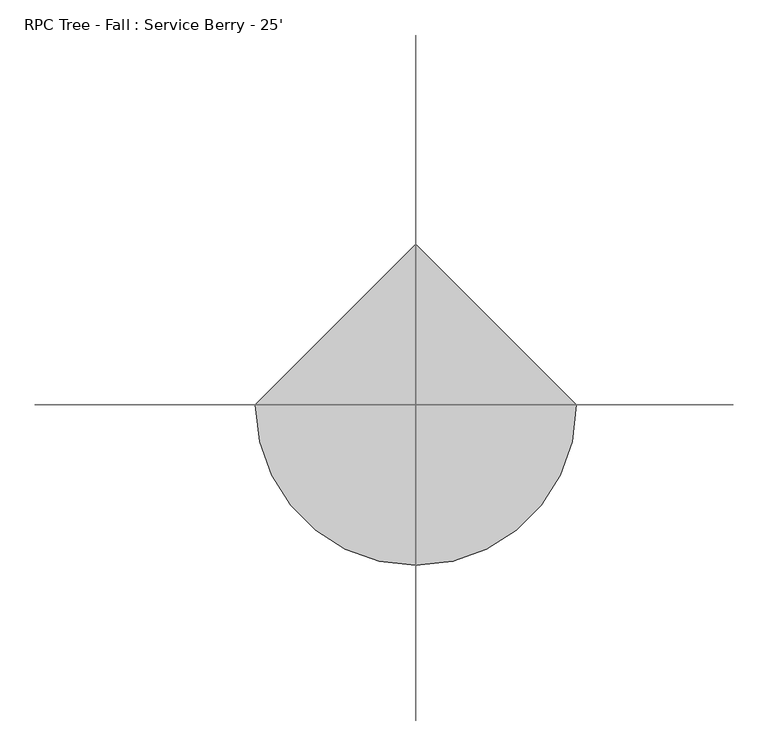
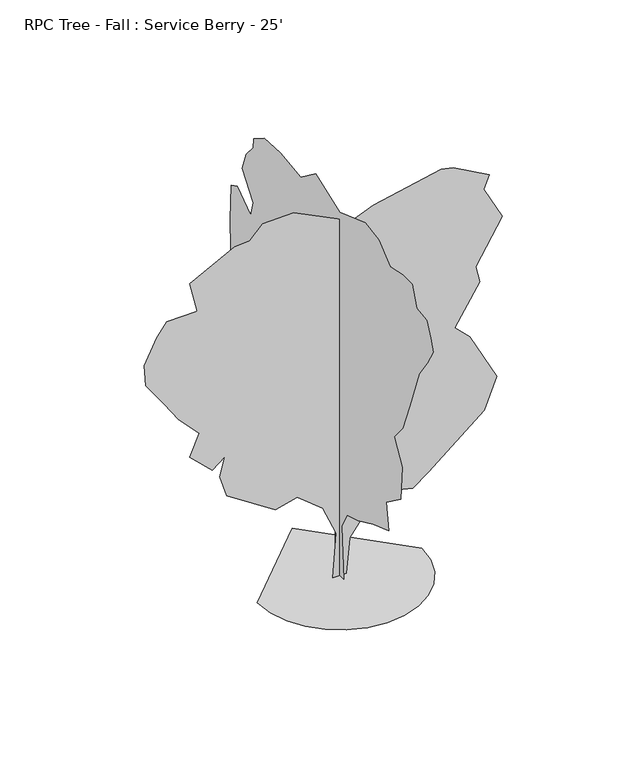
"""IFC4 building model written with IfcOpenShell, lengths in millimetres: geographic element geometry, RPC Tree - Fall : Service Berry - 25'."""

from ifc_helpers import new_model, si_unit, origin, place, context, project, spatial, triangles, source, transform, mapped, element, save


def rpc_tree_fall_service_berry_25_c2e3b044(model_context):
    return source(origin(), model_context, "Body", "Tessellation", [
        triangles([(-1569.2053802, 0.0, 0.0921994), (-1527.7195404, -359.5569775, 0.0921994), (-1409.5715195, -689.7541191, 0.0921994), (-1224.2203331, -981.1298658, 0.0921994), (-981.1298658, -1224.2203331, 0.0921994), (-689.7541191, -1409.5715195, 0.0921994), (-359.5569775, -1527.7195404, 0.0921994), (6.86e-05, -1569.2053802, 0.0921994), (359.5569775, -1527.7195404, 0.0921994), (689.7541191, -1409.5715195, 0.0921994), (981.1298658, -1224.2203331, 0.0921994), (1224.2229492, -981.1298658, 0.0921994), (1409.5715195, -689.7541191, 0.0921994), (1527.7195404, -359.5569775, 0.0921994), (1569.2053802, 0.0001372, 0.0921994), (-0.0002058, 1569.2053802, 0.0921994), (-1.69e-05, -141.5174793, 0.1472589), (0.0001147, -69.7424863, 1032.2016031), (0.000133, -256.3848048, 1371.9187305), (0.0001024, -615.3550266, 1474.4812202), (7.03e-05, -1115.345874, 1705.2476578), (3.21e-05, -1615.3367214, 1884.7314697), (0.0001039, -1538.4155445, 2410.3636299), (8.87e-05, -2012.7650791, 2756.5067459), (0.0001635, -2064.0477047, 3435.9815506), (0.000217, -1897.3831684, 3718.0227654), (0.0002491, -1794.8206787, 3884.6974754), (0.0002552, -2089.6888721, 4230.8484398), (0.000298, -2307.6334179, 4807.7579933), (0.0003614, -2623.385511, 5655.5326996), (0.0003744, -2884.5480583, 6025.68685), (0.0003913, -3089.67827, 6371.8378143), (0.0004295, -2999.9401428, 6602.5964035), (0.0004784, -2871.721225, 6884.6379089), (0.0005227, -2551.224218, 6935.9202438), (0.0005869, -2397.3740158, 7320.5264191), (0.0006248, -2079.5720478, 7320.8822113), (0.0006638, -1662.9541637, 7231.2458221), (0.0007467, -1282.8054199, 7546.7643539), (0.0008078, -843.8836647, 7619.9924423), (0.0008724, -0.5889314, 7319.3073074), (0.0010019, 789.2051708, 7615.6235229), (0.0010175, 1284.1033058, 7251.4131958), (0.001108, 1961.5257648, 7333.3535431), (0.0011676, 2487.1577797, 7307.7248749), (0.0011829, 2846.1178459, 7076.9407059), (0.0011624, 2859.3260513, 6891.47005), (0.0011569, 3089.7038498, 6615.4235275), (0.0011294, 3217.9227676, 6256.4454391), (0.0010299, 2847.8197769, 5791.7784531), (0.0010042, 2946.0922668, 5477.7836655), (0.0010936, 3377.5871498, 5796.1217926), (0.0011065, 3589.7021095, 5692.3630096), (0.0010255, 3615.3560669, 4987.2339569), (0.0008843, 3582.2092529, 3836.2597343), (0.0007687, 3089.7038498, 3359.0705475), (0.0006236, 2628.1860901, 2602.6591599), (0.0005208, 2040.694915, 2327.8239006), (0.0004249, 1431.5069538, 2133.0466908), (0.0004088, 1159.6180264, 2269.3404064), (0.0003546, 948.7221056, 2025.7546932), (0.0003347, 1038.465247, 1769.3469429), (0.0003041, 974.3633457, 1577.0438553), (0.0002185, 601.9539914, 1230.895507), (0.0002096, 314.8453897, 1443.1579868), (0.0001473, 143.6297414, 1092.3639919), (1.53e-05, 128.0166319, 0.0873663), (-131.1532773, 5.7e-06, 1.11e-05), (-67.2957107, -0.0001014, 875.4050692), (-322.2342556, -0.0001611, 1469.2590099), (-813.1217342, -0.0001862, 1859.996933), (-1229.3790298, -0.000155, 1751.1580822), (-2156.2470188, -0.0001869, 2358.9337749), (-2290.3894123, -0.0002327, 2792.1938118), (-2194.7076073, -0.0002815, 3166.6148529), (-2430.1146046, -0.0002486, 2976.2674599), (-2861.3579041, -0.0002784, 3384.5466087), (-2681.1450668, -0.0003364, 3804.8398499), (-3066.4881157, -0.0003688, 4217.8689995), (-3348.5293304, -0.0004053, 4628.1294228), (-3694.6802948, -0.0004483, 5115.3011398), (-3724.9569351, -0.0004968, 5533.4604996), (-3491.4551994, -0.000565, 6019.7430267), (-3297.2469955, -0.0006032, 6269.1202469), (-2715.1302017, -0.0006298, 6278.9242996), (-2861.3579041, -0.0006956, 6884.5105911), (-2002.4019035, -0.0007866, 7333.2012268), (-1714.1578697, -0.0008013, 7350.6001648), (-1463.9504677, -0.0008423, 7602.441188), (-879.4385439, -0.0008697, 7618.3158005), (233.9073432, -0.0008534, 7073.1560532), (638.5782457, -0.0008914, 7243.4630997), (1933.428352, -0.0009801, 7512.7030609), (2164.1946442, -0.0009841, 7461.4201447), (2852.671225, -0.0009686, 7079.2521927), (2750.5632133, -0.0009338, 6825.0491043), (3100.854332, -0.0008692, 6154.4644547), (2597.0202599, -0.000747, 5314.284343), (2668.3182335, -0.0007111, 4986.9549042), (2193.0693352, -0.0006001, 4229.7307755), (2484.1352898, -0.0005783, 3940.602784), (2995.342749, -0.0004845, 2966.2343513), (2760.2152405, -0.0004028, 2366.9321239), (1689.8424934, -0.0002511, 1487.1532665), (1388.3447628, -0.0002125, 1273.8112015), (830.8839495, -0.0002044, 1410.2319443), (535.8861128, -0.0001613, 1156.8088228), (193.8940152, -9.15e-05, 696.3936121), (121.4733449, -5.3e-06, 0.0)], [[15, 16, 1], [14, 15, 1], [14, 1, 2], [13, 14, 2], [13, 2, 3], [13, 3, 4], [12, 13, 4], [11, 12, 4], [11, 4, 5], [11, 5, 6], [11, 6, 7], [11, 7, 8], [11, 8, 9], [11, 9, 10], [67, 17, 18], [66, 67, 18], [63, 64, 65], [21, 22, 23], [66, 18, 19], [65, 66, 19], [35, 36, 37], [51, 52, 53], [51, 53, 54], [62, 63, 65], [61, 62, 65], [48, 49, 50], [41, 42, 43], [33, 34, 35], [47, 48, 50], [51, 54, 55], [51, 55, 56], [45, 46, 47], [31, 32, 33], [31, 33, 35], [30, 31, 35], [35, 37, 38], [30, 35, 38], [29, 30, 38], [23, 24, 25], [23, 25, 26], [23, 26, 27], [44, 45, 47], [44, 47, 50], [43, 44, 50], [58, 59, 60], [41, 43, 50], [41, 50, 51], [41, 51, 56], [41, 56, 57], [41, 57, 58], [41, 58, 60], [40, 41, 60], [39, 40, 60], [38, 39, 60], [29, 38, 60], [28, 29, 60], [27, 28, 60], [23, 27, 60], [23, 60, 61], [21, 23, 61], [20, 21, 61], [20, 61, 65], [20, 65, 19], [109, 68, 69], [108, 109, 69], [107, 108, 69], [107, 69, 70], [94, 95, 96], [75, 76, 77], [75, 77, 78], [85, 86, 87], [106, 107, 70], [96, 97, 98], [85, 87, 88], [83, 84, 85], [101, 102, 103], [101, 103, 104], [100, 101, 104], [104, 105, 106], [100, 104, 106], [100, 106, 70], [100, 70, 71], [94, 96, 98], [93, 94, 98], [92, 93, 98], [91, 92, 98], [71, 72, 73], [100, 71, 73], [100, 73, 74], [100, 74, 75], [100, 75, 78], [99, 100, 78], [98, 99, 78], [91, 98, 78], [90, 91, 78], [89, 90, 78], [88, 89, 78], [85, 88, 78], [85, 78, 79], [85, 79, 80], [83, 85, 80], [83, 80, 81], [82, 83, 81]], closed=False),
    ])


if __name__ == "__main__":
    model = new_model("IFC4")
    model_context = context("Model", 3, world=origin())
    ifc_project = project(units=[si_unit("LENGTHUNIT", "METRE", prefix="MILLI")], contexts=[model_context])
    site = spatial("IfcSite", under=ifc_project)
    building = spatial("IfcBuilding", under=site)
    placement = place(None, origin())
    rpc_tree_fall_service_berry_25_shape = rpc_tree_fall_service_berry_25_c2e3b044(model_context)
    element("IfcGeographicElement", 1, ObjectType="RPC Tree - Fall : Service Berry - 25'", at=placement, inside=building, context=model_context, shape_type="MappedRepresentation", body=[
        mapped(rpc_tree_fall_service_berry_25_shape, transform((0.0, 0.0, 0.0), x_axis=(1.0, 0.0, 0.0), y_axis=(0.0, 1.0, 0.0), z_axis=(0.0, 0.0, 1.0))),
    ])
    save(model, "model.ifc")
